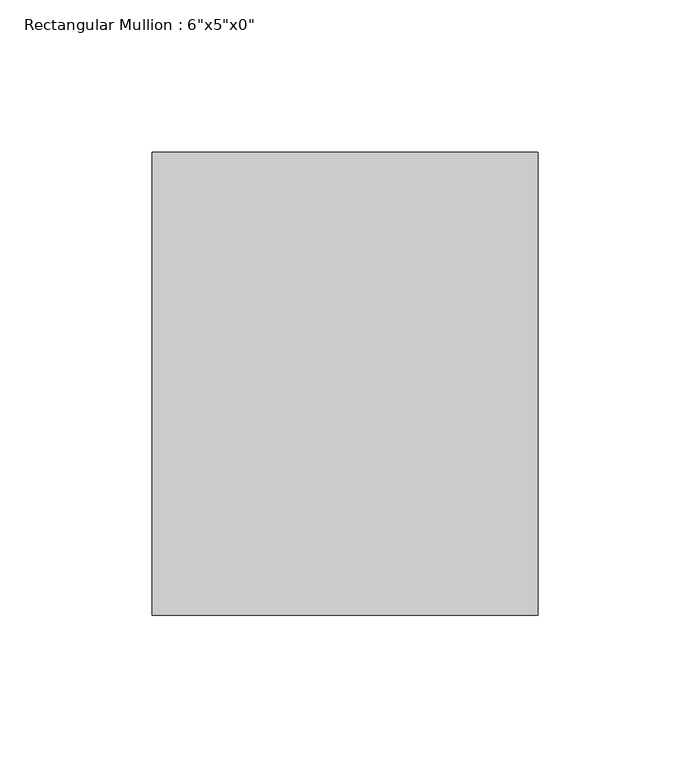
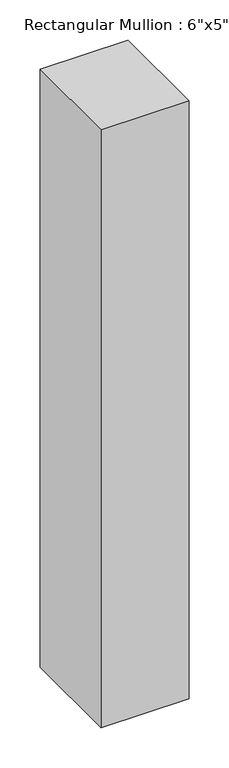
"""IFC4 building model written with IfcOpenShell, lengths in millimetres: member geometry."""

from ifc_helpers import new_model, si_unit, frame, origin, place, context, project, spatial, polyline, outline, extrude, source, transform, mapped, element, save


def member_82bcf652(model_context):
    return source(origin(), model_context, "Body", "SweptSolid", [
        extrude(outline(polyline([(0.0, 76.2), (0.0, -76.2), (-127.0, -76.2), (-127.0, 76.2), (0.0, 76.2)])), frame((0.0, 0.0, -912.2833333), z_axis=(0.0, 0.0, 1.0), x_axis=(1.0, 0.0, 0.0)), (0.0, 0.0, 1.0), 912.2833333),
    ])


if __name__ == "__main__":
    model = new_model("IFC4")
    model_context = context("Model", 3, world=origin())
    ifc_project = project(units=[si_unit("LENGTHUNIT", "METRE", prefix="MILLI")], contexts=[model_context])
    site = spatial("IfcSite", under=ifc_project)
    building = spatial("IfcBuilding", under=site)
    placement = place(None, origin())
    member_shape = member_82bcf652(model_context)
    element("IfcMember", 1, ObjectType="Rectangular Mullion : 6\"x5\"x0\"", at=placement, inside=building, context=model_context, shape_type="MappedRepresentation", body=[
        mapped(member_shape, transform((0.0, 0.0, 0.0), x_axis=(1.0, 0.0, 0.0), y_axis=(0.0, 1.0, 0.0), z_axis=(0.0, 0.0, 1.0))),
    ])
    save(model, "model.ifc")
